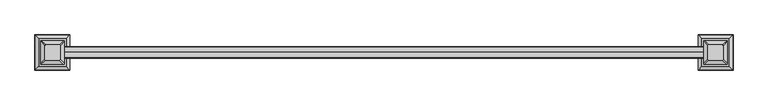
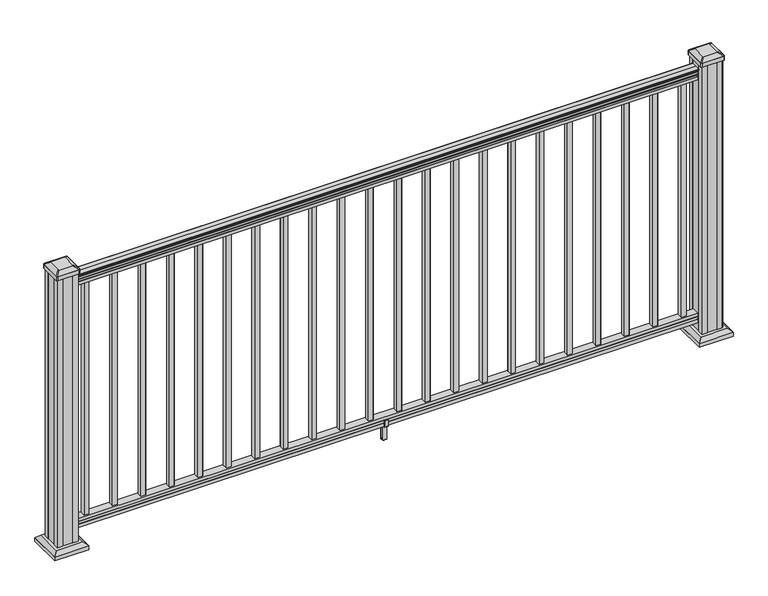
"""IFC4 building model written with IfcOpenShell, lengths in millimetres: railing geometry."""

from ifc_helpers import new_model, si_unit, point, frame, frame_2d, origin, origin_with_axes, place, context, project, spatial, polyline, circle_curve, trimmed, segment, composite_curve, outline, extrude, faceted_brep, source, transform, mapped, element, save
from ifc_brep_helpers import plane_surface, cylinder_surface, revolved_surface, extruded_surface, advanced_brep


def railing_27a5ea9a(model_context):
    return source(origin(), model_context, "Body", "SolidModel", [
        advanced_brep(
        [(21263.7625271, -7597.7092591, 1090.8043297), (21263.7625271, -7597.7092591, 1092.692412), (21263.7625271, -7596.5790728, 1094.2546695), (21263.7625271, -7596.5790728, 1101.4726458), (21263.7625271, -7597.2283292, 1103.9060812), (21263.7625271, -7594.7283292, 1108.2362083), (21263.7625271, -7593.3189868, 1109.9157972), (21263.7625271, -7592.9170878, 1111.0205318), (21263.7625271, -7592.9170879, 1112.3608158), (21263.7625271, -7594.4705351, 1113.914263), (21263.7625271, -7615.1420879, 1113.914263), (21263.7625271, -7635.8136406, 1113.914263), (21263.7625271, -7637.3670879, 1112.3608158), (21263.7625271, -7637.3670879, 1111.0205318), (21263.7625271, -7636.9651889, 1109.9157972), (21263.7625271, -7635.5558465, 1108.2362083), (21263.7625271, -7633.0558465, 1103.9060812), (21263.7625271, -7633.7051029, 1101.4726458), (21263.7625271, -7633.7051029, 1094.2546695), (21263.7625271, -7632.5749166, 1092.692412), (21263.7625271, -7632.5749166, 1090.8043297), (21263.7625271, -7630.0010879, 1090.8043297), (21263.7625271, -7630.0010879, 1080.3048283), (21263.7625271, -7631.0170879, 1079.2888283), (21263.7625271, -7631.0170879, 1066.8), (21263.7625271, -7599.2670879, 1066.8), (21263.7625271, -7599.2670879, 1079.131013), (21263.7625271, -7600.2830879, 1080.147013), (21263.7625271, -7600.2830879, 1090.8043297), (18825.3625271, -7597.7092591, 1090.8043297), (18825.3625271, -7600.2830879, 1090.8043297), (18825.3625271, -7600.2830879, 1080.147013), (18825.3625271, -7599.2670879, 1079.131013), (18825.3625271, -7599.2670879, 1066.8), (18825.3625271, -7631.0170879, 1066.8), (18825.3625271, -7631.0170879, 1079.2888283), (18825.3625271, -7630.0010879, 1080.3048283), (18825.3625271, -7630.0010879, 1090.8043297), (18825.3625271, -7632.5749166, 1090.8043297), (18825.3625271, -7632.5749166, 1092.692412), (18825.3625271, -7633.7051029, 1094.2546695), (18825.3625271, -7633.7051029, 1101.4726458), (18825.3625271, -7633.0558465, 1103.9060812), (18825.3625271, -7635.5558465, 1108.2362083), (18825.3625271, -7636.9651889, 1109.9157972), (18825.3625271, -7637.3670879, 1111.0205318), (18825.3625271, -7637.3670879, 1112.3608158), (18825.3625271, -7635.8136406, 1113.914263), (18825.3625271, -7615.1420879, 1113.914263), (18825.3625271, -7594.4705351, 1113.914263), (18825.3625271, -7592.9170879, 1112.3608158), (18825.3625271, -7592.9170879, 1111.0205318), (18825.3625271, -7593.3189868, 1109.9157972), (18825.3625271, -7594.7283292, 1108.2362083), (18825.3625271, -7597.2283292, 1103.9060812), (18825.3625271, -7596.5790728, 1101.4726458), (18825.3625271, -7596.5790728, 1094.2546695), (18825.3625271, -7597.7092591, 1092.692412)],
        [
            (0, 1),
            (1, 2, circle_curve(frame((21263.7625271, -7604.0240124, 1098.4506383), z_axis=(1.0, 0.0, 0.0), x_axis=(0.0, -1.0, 0.0)), 8.545951)),
            (2, 3, circle_curve(frame((21263.7625271, -7603.5869494, 1097.8636577), z_axis=(1.0, 0.0, 0.0), x_axis=(0.0, -1.0, 0.0)), 7.882584)),
            (3, 4, circle_curve(frame((21263.7625271, -7593.0736253, 1103.7112527), z_axis=(-1.0, 0.0, 0.0), x_axis=(0.0, -1.0, 0.0)), 4.1592695)),
            (4, 5, circle_curve(frame((21263.7625271, -7591.7863188, 1103.6508864), z_axis=(-1.0, 0.0, 0.0), x_axis=(0.0, -1.0, 0.0)), 5.4479907)),
            (5, 6, circle_curve(frame((21263.7625271, -7593.0194772, 1108.233395), z_axis=(-1.0, 0.0, 0.0), x_axis=(0.0, -1.0, 0.0)), 1.7088543)),
            (6, 7, circle_curve(frame((21263.7625271, -7594.6363773, 1111.0205318), z_axis=(1.0, 0.0, 0.0), x_axis=(0.0, -1.0, 0.0)), 1.7192895)),
            (7, 8),
            (8, 9, circle_curve(frame((21263.7625271, -7594.4705351, 1112.3608158), z_axis=(1.0, 0.0, 0.0), x_axis=(0.0, -1.0, 0.0)), 1.5534472)),
            (9, 10),
            (10, 11),
            (11, 12, circle_curve(frame((21263.7625271, -7635.8136406, 1112.3608158), z_axis=(1.0, 0.0, 0.0), x_axis=(0.0, 1.0, 0.0)), 1.5534472)),
            (12, 13),
            (13, 14, circle_curve(frame((21263.7625271, -7635.6477984, 1111.0205318), z_axis=(1.0, 0.0, 0.0), x_axis=(0.0, 1.0, 0.0)), 1.7192895)),
            (14, 15, circle_curve(frame((21263.7625271, -7637.2646985, 1108.233395), z_axis=(-1.0, 0.0, 0.0), x_axis=(0.0, 1.0, 0.0)), 1.7088543)),
            (15, 16, circle_curve(frame((21263.7625271, -7638.497857, 1103.6508864), z_axis=(-1.0, 0.0, 0.0), x_axis=(0.0, 1.0, 0.0)), 5.4479907)),
            (16, 17, circle_curve(frame((21263.7625271, -7637.2105504, 1103.7112527), z_axis=(-1.0, 0.0, 0.0), x_axis=(0.0, 1.0, 0.0)), 4.1592695)),
            (17, 18, circle_curve(frame((21263.7625271, -7626.6972263, 1097.8636577), z_axis=(1.0, 0.0, 0.0), x_axis=(0.0, 1.0, 0.0)), 7.882584)),
            (18, 19, circle_curve(frame((21263.7625271, -7626.2601633, 1098.4506383), z_axis=(1.0, 0.0, 0.0), x_axis=(0.0, 1.0, 0.0)), 8.545951)),
            (19, 20),
            (20, 21, circle_curve(frame((21263.7625271, -7631.2880022, 1090.8043297), z_axis=(1.0, 0.0, 0.0), x_axis=(0.0, 1.0, 0.0)), 1.2869144)),
            (21, 22),
            (22, 23),
            (23, 24),
            (24, 25),
            (25, 26),
            (26, 27),
            (27, 28),
            (28, 0, circle_curve(frame((21263.7625271, -7598.9961735, 1090.8043297), z_axis=(1.0, 0.0, 0.0), x_axis=(0.0, -1.0, 0.0)), 1.2869144)),
            (29, 30, circle_curve(frame((18825.3625271, -7598.9961735, 1090.8043297), z_axis=(-1.0, 0.0, 0.0), x_axis=(0.0, -1.0, 0.0)), 1.2869144)),
            (30, 31),
            (31, 32),
            (32, 33),
            (33, 34),
            (34, 35),
            (35, 36),
            (36, 37),
            (37, 38, circle_curve(frame((18825.3625271, -7631.2880022, 1090.8043297), z_axis=(-1.0, 0.0, 0.0), x_axis=(0.0, 1.0, 0.0)), 1.2869144)),
            (38, 39),
            (39, 40, circle_curve(frame((18825.3625271, -7626.2601633, 1098.4506383), z_axis=(-1.0, 0.0, 0.0), x_axis=(0.0, 1.0, 0.0)), 8.545951)),
            (40, 41, circle_curve(frame((18825.3625271, -7626.6972263, 1097.8636577), z_axis=(-1.0, 0.0, 0.0), x_axis=(0.0, 1.0, 0.0)), 7.882584)),
            (41, 42, circle_curve(frame((18825.3625271, -7637.2105504, 1103.7112527), z_axis=(1.0, 0.0, 0.0), x_axis=(0.0, 1.0, 0.0)), 4.1592695)),
            (42, 43, circle_curve(frame((18825.3625271, -7638.497857, 1103.6508864), z_axis=(1.0, 0.0, 0.0), x_axis=(0.0, 1.0, 0.0)), 5.4479907)),
            (43, 44, circle_curve(frame((18825.3625271, -7637.2646985, 1108.233395), z_axis=(1.0, 0.0, 0.0), x_axis=(0.0, 1.0, 0.0)), 1.7088543)),
            (44, 45, circle_curve(frame((18825.3625271, -7635.6477984, 1111.0205318), z_axis=(-1.0, 0.0, 0.0), x_axis=(0.0, 1.0, 0.0)), 1.7192895)),
            (45, 46),
            (46, 47, circle_curve(frame((18825.3625271, -7635.8136406, 1112.3608158), z_axis=(-1.0, 0.0, 0.0), x_axis=(0.0, 1.0, 0.0)), 1.5534472)),
            (47, 48),
            (48, 49),
            (49, 50, circle_curve(frame((18825.3625271, -7594.4705351, 1112.3608158), z_axis=(-1.0, 0.0, 0.0), x_axis=(0.0, -1.0, 0.0)), 1.5534472)),
            (50, 51),
            (51, 52, circle_curve(frame((18825.3625271, -7594.6363773, 1111.0205318), z_axis=(-1.0, 0.0, 0.0), x_axis=(0.0, -1.0, 0.0)), 1.7192895)),
            (52, 53, circle_curve(frame((18825.3625271, -7593.0194772, 1108.233395), z_axis=(1.0, 0.0, 0.0), x_axis=(0.0, -1.0, 0.0)), 1.7088543)),
            (53, 54, circle_curve(frame((18825.3625271, -7591.7863188, 1103.6508864), z_axis=(1.0, 0.0, 0.0), x_axis=(0.0, -1.0, 0.0)), 5.4479907)),
            (54, 55, circle_curve(frame((18825.3625271, -7593.0736253, 1103.7112527), z_axis=(1.0, 0.0, 0.0), x_axis=(0.0, -1.0, 0.0)), 4.1592695)),
            (55, 56, circle_curve(frame((18825.3625271, -7603.5869494, 1097.8636577), z_axis=(-1.0, 0.0, 0.0), x_axis=(0.0, -1.0, 0.0)), 7.882584)),
            (56, 57, circle_curve(frame((18825.3625271, -7604.0240124, 1098.4506383), z_axis=(-1.0, 0.0, 0.0), x_axis=(0.0, -1.0, 0.0)), 8.545951)),
            (57, 29),
            (28, 30),
            (29, 0),
            (27, 31),
            (26, 32),
            (25, 33),
            (24, 34),
            (23, 35),
            (22, 36),
            (21, 37),
            (20, 38),
            (19, 39),
            (18, 40),
            (17, 41),
            (16, 42),
            (15, 43),
            (14, 44),
            (13, 45),
            (12, 46),
            (11, 47),
            (10, 48),
            (9, 49),
            (8, 50),
            (7, 51),
            (6, 52),
            (5, 53),
            (4, 54),
            (3, 55),
            (2, 56),
            (1, 57),
        ],
        [
            plane_surface(frame((21263.7625271, -7615.1420879, 1066.8), z_axis=(1.0, 0.0, 0.0), x_axis=(0.0, -1.0, 0.0))),
            plane_surface(frame((18825.3625271, -7615.1420879, 1066.8), z_axis=(-1.0, 0.0, 0.0), x_axis=(0.0, -1.0, 0.0))),
            cylinder_surface(frame((21263.7625271, -7598.9961735, 1090.8043297), z_axis=(1.0, 0.0, 0.0), x_axis=(0.0, -1.0, 0.0)), 1.2869144),
            plane_surface(frame((21263.7625271, -7600.2830879, 1080.147013), z_axis=(0.0, 1.0, 0.0), x_axis=(-1.0, 0.0, 0.0))),
            plane_surface(frame((21263.7625271, -7599.2670879, 1079.131013), z_axis=(0.0, 0.7071067811865395, 0.7071067811865556), x_axis=(-1.0, 0.0, 0.0))),
            plane_surface(frame((21263.7625271, -7599.2670879, 1066.8), z_axis=(0.0, 1.0, 0.0), x_axis=(-1.0, 0.0, 0.0))),
            plane_surface(frame((21263.7625271, -7631.0170879, 1066.8), z_axis=(0.0, 0.0, -1.0), x_axis=(-1.0, 0.0, 0.0))),
            plane_surface(frame((21263.7625271, -7631.0170879, 1079.2888283), z_axis=(0.0, -1.0, 0.0), x_axis=(-1.0, 0.0, 0.0))),
            plane_surface(frame((21263.7625271, -7630.0010879, 1080.3048283), z_axis=(0.0, -0.7071067811865432, 0.707106781186552), x_axis=(-1.0, 0.0, 0.0))),
            plane_surface(frame((21263.7625271, -7630.0010879, 1090.8043297), z_axis=(0.0, -1.0, 0.0), x_axis=(-1.0, 0.0, 0.0))),
            cylinder_surface(frame((21263.7625271, -7631.2880022, 1090.8043297), z_axis=(1.0, 0.0, 0.0), x_axis=(0.0, 1.0, 0.0)), 1.2869144),
            plane_surface(frame((21263.7625271, -7632.5749166, 1092.692412), z_axis=(0.0, -1.0, 0.0), x_axis=(-1.0, 0.0, 0.0))),
            cylinder_surface(frame((21263.7625271, -7626.2601633, 1098.4506383), z_axis=(1.0, 0.0, 0.0), x_axis=(0.0, 1.0, 0.0)), 8.545951),
            cylinder_surface(frame((21263.7625271, -7626.6972263, 1097.8636577), z_axis=(1.0, 0.0, 0.0), x_axis=(0.0, 1.0, 0.0)), 7.882584),
            revolved_surface(polyline([(18825.3625271, -7633.0512809, 1103.7112527), (21263.7625271, -7633.0512809, 1103.7112527)]), (21263.7625271, -7637.2105504, 1103.7112527), (-1.0, 0.0, 0.0)),
            revolved_surface(polyline([(18825.3625271, -7633.0498663, 1103.6508864), (21263.7625271, -7633.0498663, 1103.6508864)]), (21263.7625271, -7638.497857, 1103.6508864), (-1.0, 0.0, 0.0)),
            revolved_surface(polyline([(18825.3625271, -7635.5558442, 1108.233395), (21263.7625271, -7635.5558442, 1108.233395)]), (21263.7625271, -7637.2646985, 1108.233395), (-1.0, 0.0, 0.0)),
            cylinder_surface(frame((21263.7625271, -7635.6477984, 1111.0205318), z_axis=(1.0, 0.0, 0.0), x_axis=(0.0, 1.0, 0.0)), 1.7192895),
            plane_surface(frame((21263.7625271, -7637.3670879, 1112.3608158), z_axis=(0.0, -1.0, 0.0), x_axis=(-1.0, 0.0, 0.0))),
            cylinder_surface(frame((21263.7625271, -7635.8136406, 1112.3608158), z_axis=(1.0, 0.0, 0.0), x_axis=(0.0, 1.0, 0.0)), 1.5534472),
            plane_surface(frame((21263.7625271, -7615.1420879, 1113.914263), z_axis=(0.0, 0.0, 1.0), x_axis=(-1.0, 0.0, 0.0))),
            plane_surface(frame((21263.7625271, -7594.4705351, 1113.914263), z_axis=(0.0, 0.0, 1.0), x_axis=(-1.0, 0.0, 0.0))),
            cylinder_surface(frame((21263.7625271, -7594.4705351, 1112.3608158), z_axis=(1.0, 0.0, 0.0), x_axis=(0.0, -1.0, 0.0)), 1.5534472),
            plane_surface(frame((21263.7625271, -7592.9170879, 1111.0205318), z_axis=(0.0, 1.0, 0.0), x_axis=(-1.0, 0.0, 0.0))),
            cylinder_surface(frame((21263.7625271, -7594.6363773, 1111.0205318), z_axis=(1.0, 0.0, 0.0), x_axis=(0.0, -1.0, 0.0)), 1.7192895),
            revolved_surface(polyline([(18825.3625271, -7594.7283315, 1108.233395), (21263.7625271, -7594.7283315, 1108.233395)]), (21263.7625271, -7593.0194772, 1108.233395), (-1.0, 0.0, 0.0)),
            revolved_surface(polyline([(18825.3625271, -7597.234309500001, 1103.6508864), (21263.7625271, -7597.234309500001, 1103.6508864)]), (21263.7625271, -7591.7863188, 1103.6508864), (-1.0, 0.0, 0.0)),
            revolved_surface(polyline([(18825.3625271, -7597.2328947999995, 1103.7112527), (21263.7625271, -7597.2328947999995, 1103.7112527)]), (21263.7625271, -7593.0736253, 1103.7112527), (-1.0, 0.0, 0.0)),
            cylinder_surface(frame((21263.7625271, -7603.5869494, 1097.8636577), z_axis=(1.0, 0.0, 0.0), x_axis=(0.0, -1.0, 0.0)), 7.882584),
            cylinder_surface(frame((21263.7625271, -7604.0240124, 1098.4506383), z_axis=(1.0, 0.0, 0.0), x_axis=(0.0, -1.0, 0.0)), 8.545951),
            plane_surface(frame((21263.7625271, -7597.7092591, 1090.8043297), z_axis=(0.0, 1.0, 0.0), x_axis=(-1.0, 0.0, 0.0))),
        ],
        [
            (0, [[1, 2, 3, 4, 5, 6, 7, 8, 9, 10, 11, 12, 13, 14, 15, 16, 17, 18, 19, 20, 21, 22, 23, 24, 25, 26, 27, 28, 29]]),
            (1, [[30, 31, 32, 33, 34, 35, 36, 37, 38, 39, 40, 41, 42, 43, 44, 45, 46, 47, 48, 49, 50, 51, 52, 53, 54, 55, 56, 57, 58]]),
            (2, [[-29, 59, -30, 60]]),
            (3, [[-28, 61, -31, -59]]),
            (4, [[-27, 62, -32, -61]]),
            (5, [[-26, 63, -33, -62]]),
            (6, [[-25, 64, -34, -63]]),
            (7, [[-24, 65, -35, -64]]),
            (8, [[-23, 66, -36, -65]]),
            (9, [[-22, 67, -37, -66]]),
            (10, [[-21, 68, -38, -67]]),
            (11, [[-20, 69, -39, -68]]),
            (12, [[-19, 70, -40, -69]]),
            (13, [[-18, 71, -41, -70]]),
            (14, [[-17, 72, -42, -71]]),
            (15, [[-16, 73, -43, -72]]),
            (16, [[-15, 74, -44, -73]]),
            (17, [[-14, 75, -45, -74]]),
            (18, [[-13, 76, -46, -75]]),
            (19, [[-12, 77, -47, -76]]),
            (20, [[-11, 78, -48, -77]]),
            (21, [[-10, 79, -49, -78]]),
            (22, [[-9, 80, -50, -79]]),
            (23, [[-8, 81, -51, -80]]),
            (24, [[-7, 82, -52, -81]]),
            (25, [[-6, 83, -53, -82]]),
            (26, [[-5, 84, -54, -83]]),
            (27, [[-4, 85, -55, -84]]),
            (28, [[-3, 86, -56, -85]]),
            (29, [[-2, 87, -57, -86]]),
            (30, [[-1, -60, -58, -87]]),
        ],
    ),
        faceted_brep([(21263.7625271, -7599.229601, 76.0541976), (21263.7625271, -7600.245601, 77.3546183), (21263.7625271, -7600.245601, 87.7141717), (21263.7625271, -7599.229601, 89.0624492), (21263.7625271, -7599.229601, 101.5958781), (21263.7625271, -7630.979601, 101.5958781), (21263.7625271, -7630.979601, 89.0458024), (21263.7625271, -7629.963601, 87.6975248), (21263.7625271, -7629.963601, 77.3858283), (21263.7625271, -7630.979601, 76.0375508), (21263.7625271, -7630.979601, 63.5), (21263.7625271, -7599.229601, 63.5), (18825.3625271, -7599.229601, 76.0541976), (18825.3625271, -7599.229601, 63.5), (18825.3625271, -7630.979601, 63.5), (18825.3625271, -7630.979601, 76.0375508), (18825.3625271, -7629.963601, 77.3858283), (18825.3625271, -7629.963601, 87.6975248), (18825.3625271, -7630.979601, 89.0458024), (18825.3625271, -7630.979601, 101.5958781), (18825.3625271, -7599.229601, 101.5958781), (18825.3625271, -7599.229601, 89.0624492), (18825.3625271, -7600.245601, 87.7141717), (18825.3625271, -7600.245601, 77.3546183)], [[[0, 1, 2, 3, 4, 5, 6, 7, 8, 9, 10, 11]], [[12, 13, 14, 15, 16, 17, 18, 19, 20, 21, 22, 23]], [[0, 11, 13, 12]], [[11, 10, 14, 13]], [[10, 9, 15, 14]], [[9, 8, 16, 15]], [[8, 7, 17, 16]], [[7, 6, 18, 17]], [[6, 5, 19, 18]], [[5, 4, 20, 19]], [[4, 3, 21, 20]], [[3, 2, 22, 21]], [[2, 1, 23, 22]], [[1, 0, 12, 23]]]),
        extrude(outline(polyline([(18884.6715271, -7605.6170879), (18884.6715271, -7624.6670879), (18865.6215271, -7624.6670879), (18865.6215271, -7605.6170879), (18884.6715271, -7605.6170879)]), holes=[polyline([(18884.2746521, -7606.0139629), (18866.0184021, -7606.0139629), (18866.0184021, -7624.2702129), (18884.2746521, -7624.2702129), (18884.2746521, -7606.0139629)])]), frame((0.0, 0.0, 101.5958781), z_axis=(0.0, 0.0, 1.0), x_axis=(1.0, 0.0, 0.0)), (0.0, 0.0, 1.0), 965.2041219),
        extrude(outline(polyline([(18995.9235271, -7605.6170879), (18995.9235271, -7624.6670879), (18976.8735271, -7624.6670879), (18976.8735271, -7605.6170879), (18995.9235271, -7605.6170879)]), holes=[polyline([(18995.5266521, -7606.0139629), (18977.2704021, -7606.0139629), (18977.2704021, -7624.2702129), (18995.5266521, -7624.2702129), (18995.5266521, -7606.0139629)])]), frame((0.0, 0.0, 101.5958781), z_axis=(0.0, 0.0, 1.0), x_axis=(1.0, 0.0, 0.0)), (0.0, 0.0, 1.0), 965.2041219),
        extrude(outline(polyline([(19107.1755271, -7605.6170879), (19107.1755271, -7624.6670879), (19088.1255271, -7624.6670879), (19088.1255271, -7605.6170879), (19107.1755271, -7605.6170879)]), holes=[polyline([(19106.7786521, -7606.0139629), (19088.5224021, -7606.0139629), (19088.5224021, -7624.2702129), (19106.7786521, -7624.2702129), (19106.7786521, -7606.0139629)])]), frame((0.0, 0.0, 101.5958781), z_axis=(0.0, 0.0, 1.0), x_axis=(1.0, 0.0, 0.0)), (0.0, 0.0, 1.0), 965.2041219),
        extrude(outline(polyline([(19218.4275271, -7605.6170879), (19218.4275271, -7624.6670879), (19199.3775271, -7624.6670879), (19199.3775271, -7605.6170879), (19218.4275271, -7605.6170879)]), holes=[polyline([(19218.0306521, -7606.0139629), (19199.7744021, -7606.0139629), (19199.7744021, -7624.2702129), (19218.0306521, -7624.2702129), (19218.0306521, -7606.0139629)])]), frame((0.0, 0.0, 101.5958781), z_axis=(0.0, 0.0, 1.0), x_axis=(1.0, 0.0, 0.0)), (0.0, 0.0, 1.0), 965.2041219),
        extrude(outline(polyline([(19329.6795271, -7605.6170879), (19329.6795271, -7624.6670879), (19310.6295271, -7624.6670879), (19310.6295271, -7605.6170879), (19329.6795271, -7605.6170879)]), holes=[polyline([(19329.2826521, -7606.0139629), (19311.0264021, -7606.0139629), (19311.0264021, -7624.2702129), (19329.2826521, -7624.2702129), (19329.2826521, -7606.0139629)])]), frame((0.0, 0.0, 101.5958781), z_axis=(0.0, 0.0, 1.0), x_axis=(1.0, 0.0, 0.0)), (0.0, 0.0, 1.0), 965.2041219),
        extrude(outline(polyline([(19440.9315271, -7605.6170879), (19440.9315271, -7624.6670879), (19421.8815271, -7624.6670879), (19421.8815271, -7605.6170879), (19440.9315271, -7605.6170879)]), holes=[polyline([(19440.5346521, -7606.0139629), (19422.2784021, -7606.0139629), (19422.2784021, -7624.2702129), (19440.5346521, -7624.2702129), (19440.5346521, -7606.0139629)])]), frame((0.0, 0.0, 101.5958781), z_axis=(0.0, 0.0, 1.0), x_axis=(1.0, 0.0, 0.0)), (0.0, 0.0, 1.0), 965.2041219),
        extrude(outline(polyline([(19552.1835271, -7605.6170879), (19552.1835271, -7624.6670879), (19533.1335271, -7624.6670879), (19533.1335271, -7605.6170879), (19552.1835271, -7605.6170879)]), holes=[polyline([(19551.7866521, -7606.0139629), (19533.5304021, -7606.0139629), (19533.5304021, -7624.2702129), (19551.7866521, -7624.2702129), (19551.7866521, -7606.0139629)])]), frame((0.0, 0.0, 101.5958781), z_axis=(0.0, 0.0, 1.0), x_axis=(1.0, 0.0, 0.0)), (0.0, 0.0, 1.0), 965.2041219),
        extrude(outline(polyline([(19663.4355271, -7605.6170879), (19663.4355271, -7624.6670879), (19644.3855271, -7624.6670879), (19644.3855271, -7605.6170879), (19663.4355271, -7605.6170879)]), holes=[polyline([(19663.0386521, -7606.0139629), (19644.7824021, -7606.0139629), (19644.7824021, -7624.2702129), (19663.0386521, -7624.2702129), (19663.0386521, -7606.0139629)])]), frame((0.0, 0.0, 101.5958781), z_axis=(0.0, 0.0, 1.0), x_axis=(1.0, 0.0, 0.0)), (0.0, 0.0, 1.0), 965.2041219),
        extrude(outline(polyline([(19774.6875271, -7605.6170879), (19774.6875271, -7624.6670879), (19755.6375271, -7624.6670879), (19755.6375271, -7605.6170879), (19774.6875271, -7605.6170879)]), holes=[polyline([(19774.2906521, -7606.0139629), (19756.0344021, -7606.0139629), (19756.0344021, -7624.2702129), (19774.2906521, -7624.2702129), (19774.2906521, -7606.0139629)])]), frame((0.0, 0.0, 101.5958781), z_axis=(0.0, 0.0, 1.0), x_axis=(1.0, 0.0, 0.0)), (0.0, 0.0, 1.0), 965.2041219),
        extrude(outline(polyline([(19885.9395271, -7605.6170879), (19885.9395271, -7624.6670879), (19866.8895271, -7624.6670879), (19866.8895271, -7605.6170879), (19885.9395271, -7605.6170879)]), holes=[polyline([(19885.5426521, -7606.0139629), (19867.2864021, -7606.0139629), (19867.2864021, -7624.2702129), (19885.5426521, -7624.2702129), (19885.5426521, -7606.0139629)])]), frame((0.0, 0.0, 101.5958781), z_axis=(0.0, 0.0, 1.0), x_axis=(1.0, 0.0, 0.0)), (0.0, 0.0, 1.0), 965.2041219),
        extrude(outline(polyline([(19997.1915271, -7605.6170879), (19997.1915271, -7624.6670879), (19978.1415271, -7624.6670879), (19978.1415271, -7605.6170879), (19997.1915271, -7605.6170879)]), holes=[polyline([(19996.7946521, -7606.0139629), (19978.5384021, -7606.0139629), (19978.5384021, -7624.2702129), (19996.7946521, -7624.2702129), (19996.7946521, -7606.0139629)])]), frame((0.0, 0.0, 101.5958781), z_axis=(0.0, 0.0, 1.0), x_axis=(1.0, 0.0, 0.0)), (0.0, 0.0, 1.0), 965.2041219),
        extrude(outline(polyline([(-7633.3030867, 88.7203979), (-7631.2710871, 88.7203979), (-7630.2550873, 87.7043953), (-7630.2550873, 77.2686081), (-7631.2710871, 76.2526073), (-7631.2710871, 64.262001), (-7630.509088, 63.5000019), (-7599.7750868, 63.5000019), (-7599.0130877, 64.262001), (-7599.0130877, 76.2526073), (-7600.0290875, 77.2686081), (-7600.0290875, 87.7043953), (-7599.0130877, 88.7203979), (-7596.9810881, 88.7203979), (-7596.2190871, 87.9583969), (-7596.2190871, 61.4680023), (-7596.9810881, 60.7060013), (-7607.0140871, 60.7060013), (-7607.7760872, 59.9440012), (-7607.7760872, 0.762001), (-7608.5380883, 0.0), (-7621.7460875, 0.0), (-7622.5080876, 0.7620001), (-7622.5080876, 59.9440012), (-7623.2700877, 60.7060013), (-7633.3030867, 60.7060013), (-7634.0650877, 61.4680023), (-7634.0650877, 87.9583969), (-7633.3030867, 88.7203979)]), holes=[polyline([(-7611.7130875, 60.7060013), (-7618.5710873, 60.7060013), (-7619.3330874, 59.9440012), (-7619.3330874, 3.9370003), (-7618.5710902, 3.1750031), (-7611.7130875, 3.1750031), (-7610.9510874, 3.9370031), (-7610.9510874, 59.9440012), (-7611.7130875, 60.7060013)])]), frame((20035.9265271, 0.0, 0.0), z_axis=(1.0, 0.0, 0.0), x_axis=(0.0, 1.0, 0.0)), (0.0, 0.0, 1.0), 14.732),
        extrude(outline(polyline([(20108.4435271, -7605.6170879), (20108.4435271, -7624.6670879), (20089.3935271, -7624.6670879), (20089.3935271, -7605.6170879), (20108.4435271, -7605.6170879)]), holes=[polyline([(20108.0466521, -7606.0139629), (20089.7904021, -7606.0139629), (20089.7904021, -7624.2702129), (20108.0466521, -7624.2702129), (20108.0466521, -7606.0139629)])]), frame((0.0, 0.0, 101.5958781), z_axis=(0.0, 0.0, 1.0), x_axis=(1.0, 0.0, 0.0)), (0.0, 0.0, 1.0), 965.2041219),
        extrude(outline(polyline([(20219.6955271, -7605.6170879), (20219.6955271, -7624.6670879), (20200.6455271, -7624.6670879), (20200.6455271, -7605.6170879), (20219.6955271, -7605.6170879)]), holes=[polyline([(20219.2986521, -7606.0139629), (20201.0424021, -7606.0139629), (20201.0424021, -7624.2702129), (20219.2986521, -7624.2702129), (20219.2986521, -7606.0139629)])]), frame((0.0, 0.0, 101.5958781), z_axis=(0.0, 0.0, 1.0), x_axis=(1.0, 0.0, 0.0)), (0.0, 0.0, 1.0), 965.2041219),
        extrude(outline(polyline([(20330.9475271, -7605.6170879), (20330.9475271, -7624.6670879), (20311.8975271, -7624.6670879), (20311.8975271, -7605.6170879), (20330.9475271, -7605.6170879)]), holes=[polyline([(20330.5506521, -7606.0139629), (20312.2944021, -7606.0139629), (20312.2944021, -7624.2702129), (20330.5506521, -7624.2702129), (20330.5506521, -7606.0139629)])]), frame((0.0, 0.0, 101.5958781), z_axis=(0.0, 0.0, 1.0), x_axis=(1.0, 0.0, 0.0)), (0.0, 0.0, 1.0), 965.2041219),
        extrude(outline(polyline([(20442.1995271, -7605.6170879), (20442.1995271, -7624.6670879), (20423.1495271, -7624.6670879), (20423.1495271, -7605.6170879), (20442.1995271, -7605.6170879)]), holes=[polyline([(20441.8026521, -7606.0139629), (20423.5464021, -7606.0139629), (20423.5464021, -7624.2702129), (20441.8026521, -7624.2702129), (20441.8026521, -7606.0139629)])]), frame((0.0, 0.0, 101.5958781), z_axis=(0.0, 0.0, 1.0), x_axis=(1.0, 0.0, 0.0)), (0.0, 0.0, 1.0), 965.2041219),
        extrude(outline(polyline([(20553.4515271, -7605.6170879), (20553.4515271, -7624.6670879), (20534.4015271, -7624.6670879), (20534.4015271, -7605.6170879), (20553.4515271, -7605.6170879)]), holes=[polyline([(20553.0546521, -7606.0139629), (20534.7984021, -7606.0139629), (20534.7984021, -7624.2702129), (20553.0546521, -7624.2702129), (20553.0546521, -7606.0139629)])]), frame((0.0, 0.0, 101.5958781), z_axis=(0.0, 0.0, 1.0), x_axis=(1.0, 0.0, 0.0)), (0.0, 0.0, 1.0), 965.2041219),
        extrude(outline(polyline([(20664.7035271, -7605.6170879), (20664.7035271, -7624.6670879), (20645.6535271, -7624.6670879), (20645.6535271, -7605.6170879), (20664.7035271, -7605.6170879)]), holes=[polyline([(20664.3066521, -7606.0139629), (20646.0504021, -7606.0139629), (20646.0504021, -7624.2702129), (20664.3066521, -7624.2702129), (20664.3066521, -7606.0139629)])]), frame((0.0, 0.0, 101.5958781), z_axis=(0.0, 0.0, 1.0), x_axis=(1.0, 0.0, 0.0)), (0.0, 0.0, 1.0), 965.2041219),
        extrude(outline(polyline([(20775.9555271, -7605.6170879), (20775.9555271, -7624.6670879), (20756.9055271, -7624.6670879), (20756.9055271, -7605.6170879), (20775.9555271, -7605.6170879)]), holes=[polyline([(20775.5586521, -7606.0139629), (20757.3024021, -7606.0139629), (20757.3024021, -7624.2702129), (20775.5586521, -7624.2702129), (20775.5586521, -7606.0139629)])]), frame((0.0, 0.0, 101.5958781), z_axis=(0.0, 0.0, 1.0), x_axis=(1.0, 0.0, 0.0)), (0.0, 0.0, 1.0), 965.2041219),
        extrude(outline(polyline([(20887.2075271, -7605.6170879), (20887.2075271, -7624.6670879), (20868.1575271, -7624.6670879), (20868.1575271, -7605.6170879), (20887.2075271, -7605.6170879)]), holes=[polyline([(20886.8106521, -7606.0139629), (20868.5544021, -7606.0139629), (20868.5544021, -7624.2702129), (20886.8106521, -7624.2702129), (20886.8106521, -7606.0139629)])]), frame((0.0, 0.0, 101.5958781), z_axis=(0.0, 0.0, 1.0), x_axis=(1.0, 0.0, 0.0)), (0.0, 0.0, 1.0), 965.2041219),
        extrude(outline(polyline([(20998.4595271, -7605.6170879), (20998.4595271, -7624.6670879), (20979.4095271, -7624.6670879), (20979.4095271, -7605.6170879), (20998.4595271, -7605.6170879)]), holes=[polyline([(20998.0626521, -7606.0139629), (20979.8064021, -7606.0139629), (20979.8064021, -7624.2702129), (20998.0626521, -7624.2702129), (20998.0626521, -7606.0139629)])]), frame((0.0, 0.0, 101.5958781), z_axis=(0.0, 0.0, 1.0), x_axis=(1.0, 0.0, 0.0)), (0.0, 0.0, 1.0), 965.2041219),
        extrude(outline(polyline([(21109.7115271, -7605.6170879), (21109.7115271, -7624.6670879), (21090.6615271, -7624.6670879), (21090.6615271, -7605.6170879), (21109.7115271, -7605.6170879)]), holes=[polyline([(21109.3146521, -7606.0139629), (21091.0584021, -7606.0139629), (21091.0584021, -7624.2702129), (21109.3146521, -7624.2702129), (21109.3146521, -7606.0139629)])]), frame((0.0, 0.0, 101.5958781), z_axis=(0.0, 0.0, 1.0), x_axis=(1.0, 0.0, 0.0)), (0.0, 0.0, 1.0), 965.2041219),
        extrude(outline(polyline([(21220.9635271, -7605.6170879), (21220.9635271, -7624.6670879), (21201.9135271, -7624.6670879), (21201.9135271, -7605.6170879), (21220.9635271, -7605.6170879)]), holes=[polyline([(21220.5666521, -7606.0139629), (21202.3104021, -7606.0139629), (21202.3104021, -7624.2702129), (21220.5666521, -7624.2702129), (21220.5666521, -7606.0139629)])]), frame((0.0, 0.0, 101.5958781), z_axis=(0.0, 0.0, 1.0), x_axis=(1.0, 0.0, 0.0)), (0.0, 0.0, 1.0), 965.2041219),
        faceted_brep([(18836.5464646, -7562.5561504, 28.575), (18731.3745896, -7562.5561504, 28.575), (18731.3745896, -7667.7280254, 28.575), (18836.5464646, -7667.7280254, 28.575), (18850.5859177, -7548.5166972, 15.24), (18850.5859177, -7681.7674785, 15.24), (18717.3351365, -7681.7674785, 15.24), (18717.3351365, -7548.5166972, 15.24)], [[[0, 1, 2, 3]], [[4, 5, 6, 7]], [[4, 0, 3, 5]], [[5, 3, 2, 6]], [[6, 2, 1, 7]], [[7, 1, 0, 4]]]),
        extrude(outline(polyline([(18850.5859177, -7548.5166972), (18850.5859177, -7681.7674785), (18717.3351365, -7681.7674785), (18717.3351365, -7548.5166972), (18850.5859177, -7548.5166972)])), origin_with_axes(), (0.0, 0.0, 1.0), 15.24),
        advanced_brep(
        [(18812.9324021, -7640.9389629, 1165.225), (18812.9324021, -7589.3452129, 1165.225), (18809.7574021, -7586.1702129, 1165.225), (18758.1636521, -7586.1702129, 1165.225), (18754.9886521, -7589.3452129, 1165.225), (18754.9886521, -7640.9389629, 1165.225), (18758.1636521, -7644.1139629, 1165.225), (18809.7574021, -7644.1139629, 1165.225), (18829.2042771, -7657.2108379, 1153.922), (18826.0292771, -7660.3858379, 1153.922), (18741.8917771, -7660.3858379, 1153.922), (18738.7167771, -7657.2108379, 1153.922), (18738.7167771, -7573.0733379, 1153.922), (18741.8917771, -7569.8983379, 1153.922), (18826.0292771, -7569.8983379, 1153.922), (18829.2042771, -7573.0733379, 1153.922)],
        [
            (0, 1),
            (1, 2, circle_curve(frame((18809.7574021, -7589.3452129, 1165.225), z_axis=(0.0, 0.0, 1.0), x_axis=(-1.0, 0.0, 0.0)), 3.175)),
            (2, 3),
            (3, 4, circle_curve(frame((18758.1636521, -7589.3452129, 1165.225), z_axis=(0.0, 0.0, 1.0), x_axis=(-1.0, 0.0, 0.0)), 3.175)),
            (4, 5),
            (5, 6, circle_curve(frame((18758.1636521, -7640.9389629, 1165.225), z_axis=(0.0, 0.0, 1.0), x_axis=(-1.0, 0.0, 0.0)), 3.175)),
            (6, 7),
            (7, 0, circle_curve(frame((18809.7574021, -7640.9389629, 1165.225), z_axis=(0.0, 0.0, 1.0), x_axis=(-1.0, 0.0, 0.0)), 3.175)),
            (8, 9, circle_curve(frame((18826.0292771, -7657.2108379, 1153.922), z_axis=(0.0, 0.0, -1.0), x_axis=(-1.0, 0.0, 0.0)), 3.175)),
            (9, 10),
            (10, 11, circle_curve(frame((18741.8917771, -7657.2108379, 1153.922), z_axis=(0.0, 0.0, -1.0), x_axis=(-1.0, 0.0, 0.0)), 3.175)),
            (11, 12),
            (12, 13, circle_curve(frame((18741.8917771, -7573.0733379, 1153.922), z_axis=(0.0, 0.0, -1.0), x_axis=(-1.0, 0.0, 0.0)), 3.175)),
            (13, 14),
            (14, 15, circle_curve(frame((18826.0292771, -7573.0733379, 1153.922), z_axis=(0.0, 0.0, -1.0), x_axis=(-1.0, 0.0, 0.0)), 3.175)),
            (15, 8),
            (8, 0),
            (7, 9),
            (6, 10),
            (5, 11),
            (4, 12),
            (3, 13),
            (2, 14),
            (1, 15),
        ],
        [
            plane_surface(frame((18783.9605271, -7615.1420879, 1165.225), z_axis=(0.0, 0.0, 1.0), x_axis=(0.0, -1.0, 0.0))),
            plane_surface(frame((18783.9605271, -7615.1420879, 1153.922), z_axis=(0.0, 0.0, -1.0), x_axis=(0.0, -1.0, 0.0))),
            extruded_surface(trimmed(circle_curve(frame((18809.7574021, -7640.9389629, 1165.225), z_axis=(0.0, 0.0, -1.0), x_axis=(-1.0, 0.0, 0.0)), 3.175), [point((18812.9324021, -7640.9389629, 1165.225))], [point((18809.7574021, -7644.1139629, 1165.225))], True, "CARTESIAN"), (16.271874999998545, -16.271875000000364, -11.302999999999884), 25.63797263886542),
            plane_surface(frame((18783.9605271, -7660.3858379, 1153.922), z_axis=(0.0, -0.5705009161540777, 0.8212969649690409), x_axis=(-1.0, 0.0, 0.0))),
            extruded_surface(trimmed(circle_curve(frame((18758.1636521, -7640.9389629, 1165.225), z_axis=(0.0, 0.0, -1.0), x_axis=(-1.0, 0.0, 0.0)), 3.175), [point((18758.1636521, -7644.1139629, 1165.225))], [point((18754.9886521, -7640.9389629, 1165.225))], True, "CARTESIAN"), (-16.271874999998545, -16.271875000000364, -11.302999999999884), 25.63797263886542),
            plane_surface(frame((18738.7167771, -7615.1420879, 1153.922), z_axis=(-0.5705009161540291, 0.0, 0.8212969649690747), x_axis=(0.0, 1.0, 0.0))),
            extruded_surface(trimmed(circle_curve(frame((18758.1636521, -7589.3452129, 1165.225), z_axis=(0.0, 0.0, -1.0), x_axis=(-1.0, 0.0, 0.0)), 3.175), [point((18754.9886521, -7589.3452129, 1165.225))], [point((18758.1636521, -7586.1702129, 1165.225))], True, "CARTESIAN"), (-16.271874999998545, 16.271874999999454, -11.302999999999884), 25.63797263886484),
            plane_surface(frame((18783.9605271, -7569.8983379, 1153.922), z_axis=(0.0, 0.5705009161540143, 0.821296964969085), x_axis=(1.0, 0.0, 0.0))),
            extruded_surface(trimmed(circle_curve(frame((18809.7574021, -7589.3452129, 1165.225), z_axis=(0.0, 0.0, -1.0), x_axis=(-1.0, 0.0, 0.0)), 3.175), [point((18809.7574021, -7586.1702129, 1165.225))], [point((18812.9324021, -7589.3452129, 1165.225))], True, "CARTESIAN"), (16.271874999998545, 16.271874999999454, -11.302999999999884), 25.63797263886484),
            plane_surface(frame((18829.2042771, -7615.1420879, 1153.922), z_axis=(0.570500916154034, 0.0, 0.8212969649690713), x_axis=(0.0, -1.0, 0.0))),
        ],
        [
            (0, [[1, 2, 3, 4, 5, 6, 7, 8]]),
            (1, [[9, 10, 11, 12, 13, 14, 15, 16]]),
            (2, [[17, -8, 18, -9]]),
            (3, [[-18, -7, 19, -10]]),
            (4, [[-19, -6, 20, -11]]),
            (5, [[-20, -5, 21, -12]]),
            (6, [[-21, -4, 22, -13]]),
            (7, [[-22, -3, 23, -14]]),
            (8, [[-23, -2, 24, -15]]),
            (9, [[-24, -1, -17, -16]]),
        ],
    ),
        extrude(outline(composite_curve([segment(trimmed(circle_curve(frame_2d((18826.0292771, -7657.2108379)), 3.175), [point((18829.2042771, -7657.2108379))], [point((18826.0292771, -7660.3858379))], False, "CARTESIAN"), True, "CONTINUOUS"), segment(polyline([(18826.0292771, -7660.3858379), (18741.8917771, -7660.3858379)]), True, "CONTINUOUS"), segment(trimmed(circle_curve(frame_2d((18741.8917771, -7657.2108379)), 3.175), [point((18741.8917771, -7660.3858379))], [point((18738.7167771, -7657.2108379))], False, "CARTESIAN"), True, "CONTINUOUS"), segment(polyline([(18738.7167771, -7657.2108379), (18738.7167771, -7573.0733379)]), True, "CONTINUOUS"), segment(trimmed(circle_curve(frame_2d((18741.8917771, -7573.0733379)), 3.175), [point((18738.7167771, -7573.0733379))], [point((18741.8917771, -7569.8983379))], False, "CARTESIAN"), True, "CONTINUOUS"), segment(polyline([(18741.8917771, -7569.8983379), (18826.0292771, -7569.8983379)]), True, "CONTINUOUS"), segment(trimmed(circle_curve(frame_2d((18826.0292771, -7573.0733379)), 3.175), [point((18826.0292771, -7569.8983379))], [point((18829.2042771, -7573.0733379))], False, "CARTESIAN"), True, "CONTINUOUS"), segment(polyline([(18829.2042771, -7573.0733379), (18829.2042771, -7657.2108379)]), True, "CONTINUOUS")], self_intersect=False)), frame((0.0, 0.0, 1136.65), z_axis=(0.0, 0.0, 1.0), x_axis=(1.0, 0.0, 0.0)), (0.0, 0.0, 1.0), 17.272),
        extrude(outline(polyline([(18825.2355271, -7654.8295879), (18823.6480271, -7656.4170879), (18804.0265271, -7656.4170879), (18803.2645271, -7654.8295879), (18764.6565271, -7654.8295879), (18763.8945271, -7656.4170879), (18744.2730271, -7656.4170879), (18742.6855271, -7654.8295879), (18742.6855271, -7635.2080879), (18744.2730271, -7634.4460879), (18744.2730271, -7595.8380879), (18742.6855271, -7595.0760879), (18742.6855271, -7575.4545879), (18744.2730271, -7573.8670879), (18763.8945271, -7573.8670879), (18764.6565271, -7575.4545879), (18803.2645271, -7575.4545879), (18804.0265271, -7573.8670879), (18823.6480271, -7573.8670879), (18825.2355271, -7575.4545879), (18825.2355271, -7595.0760879), (18823.6480271, -7595.8380879), (18823.6480271, -7634.4460879), (18825.2355271, -7635.2080879), (18825.2355271, -7654.8295879)])), origin_with_axes(), (0.0, 0.0, 1.0), 1136.65),
        faceted_brep([(21357.7504646, -7562.5561504, 28.575), (21252.5785896, -7562.5561504, 28.575), (21252.5785896, -7667.7280254, 28.575), (21357.7504646, -7667.7280254, 28.575), (21371.7899177, -7548.5166972, 15.24), (21371.7899177, -7681.7674785, 15.24), (21238.5391365, -7681.7674785, 15.24), (21238.5391365, -7548.5166972, 15.24)], [[[0, 1, 2, 3]], [[4, 5, 6, 7]], [[4, 0, 3, 5]], [[5, 3, 2, 6]], [[6, 2, 1, 7]], [[7, 1, 0, 4]]]),
        extrude(outline(polyline([(21371.7899177, -7548.5166972), (21371.7899177, -7681.7674785), (21238.5391365, -7681.7674785), (21238.5391365, -7548.5166972), (21371.7899177, -7548.5166972)])), origin_with_axes(), (0.0, 0.0, 1.0), 15.24),
        advanced_brep(
        [(21334.1364021, -7640.9389629, 1165.225), (21334.1364021, -7589.3452129, 1165.225), (21330.9614021, -7586.1702129, 1165.225), (21279.3676521, -7586.1702129, 1165.225), (21276.1926521, -7589.3452129, 1165.225), (21276.1926521, -7640.9389629, 1165.225), (21279.3676521, -7644.1139629, 1165.225), (21330.9614021, -7644.1139629, 1165.225), (21350.4082771, -7657.2108379, 1153.922), (21347.2332771, -7660.3858379, 1153.922), (21263.0957771, -7660.3858379, 1153.922), (21259.9207771, -7657.2108379, 1153.922), (21259.9207771, -7573.0733379, 1153.922), (21263.0957771, -7569.8983379, 1153.922), (21347.2332771, -7569.8983379, 1153.922), (21350.4082771, -7573.0733379, 1153.922)],
        [
            (0, 1),
            (1, 2, circle_curve(frame((21330.9614021, -7589.3452129, 1165.225), z_axis=(0.0, 0.0, 1.0), x_axis=(-1.0, 0.0, 0.0)), 3.175)),
            (2, 3),
            (3, 4, circle_curve(frame((21279.3676521, -7589.3452129, 1165.225), z_axis=(0.0, 0.0, 1.0), x_axis=(-1.0, 0.0, 0.0)), 3.175)),
            (4, 5),
            (5, 6, circle_curve(frame((21279.3676521, -7640.9389629, 1165.225), z_axis=(0.0, 0.0, 1.0), x_axis=(-1.0, 0.0, 0.0)), 3.175)),
            (6, 7),
            (7, 0, circle_curve(frame((21330.9614021, -7640.9389629, 1165.225), z_axis=(0.0, 0.0, 1.0), x_axis=(-1.0, 0.0, 0.0)), 3.175)),
            (8, 9, circle_curve(frame((21347.2332771, -7657.2108379, 1153.922), z_axis=(0.0, 0.0, -1.0), x_axis=(-1.0, 0.0, 0.0)), 3.175)),
            (9, 10),
            (10, 11, circle_curve(frame((21263.0957771, -7657.2108379, 1153.922), z_axis=(0.0, 0.0, -1.0), x_axis=(-1.0, 0.0, 0.0)), 3.175)),
            (11, 12),
            (12, 13, circle_curve(frame((21263.0957771, -7573.0733379, 1153.922), z_axis=(0.0, 0.0, -1.0), x_axis=(-1.0, 0.0, 0.0)), 3.175)),
            (13, 14),
            (14, 15, circle_curve(frame((21347.2332771, -7573.0733379, 1153.922), z_axis=(0.0, 0.0, -1.0), x_axis=(-1.0, 0.0, 0.0)), 3.175)),
            (15, 8),
            (8, 0),
            (7, 9),
            (6, 10),
            (5, 11),
            (4, 12),
            (3, 13),
            (2, 14),
            (1, 15),
        ],
        [
            plane_surface(frame((21305.1645271, -7615.1420879, 1165.225), z_axis=(0.0, 0.0, 1.0), x_axis=(0.0, -1.0, 0.0))),
            plane_surface(frame((21305.1645271, -7615.1420879, 1153.922), z_axis=(0.0, 0.0, -1.0), x_axis=(0.0, -1.0, 0.0))),
            extruded_surface(trimmed(circle_curve(frame((21330.9614021, -7640.9389629, 1165.225), z_axis=(0.0, 0.0, -1.0), x_axis=(-1.0, 0.0, 0.0)), 3.175), [point((21334.1364021, -7640.9389629, 1165.225))], [point((21330.9614021, -7644.1139629, 1165.225))], True, "CARTESIAN"), (16.271874999998545, -16.271875000000364, -11.302999999999884), 25.63797263886542),
            plane_surface(frame((21305.1645271, -7660.3858379, 1153.922), z_axis=(0.0, -0.5705009161540777, 0.8212969649690409), x_axis=(-1.0, 0.0, 0.0))),
            extruded_surface(trimmed(circle_curve(frame((21279.3676521, -7640.9389629, 1165.225), z_axis=(0.0, 0.0, -1.0), x_axis=(-1.0, 0.0, 0.0)), 3.175), [point((21279.3676521, -7644.1139629, 1165.225))], [point((21276.1926521, -7640.9389629, 1165.225))], True, "CARTESIAN"), (-16.271875000002183, -16.271875000000364, -11.302999999999884), 25.637972638867726),
            plane_surface(frame((21259.9207771, -7615.1420879, 1153.922), z_axis=(-0.5705009161540291, 0.0, 0.8212969649690747), x_axis=(0.0, 1.0, 0.0))),
            extruded_surface(trimmed(circle_curve(frame((21279.3676521, -7589.3452129, 1165.225), z_axis=(0.0, 0.0, -1.0), x_axis=(-1.0, 0.0, 0.0)), 3.175), [point((21276.1926521, -7589.3452129, 1165.225))], [point((21279.3676521, -7586.1702129, 1165.225))], True, "CARTESIAN"), (-16.271875000002183, 16.271874999999454, -11.302999999999884), 25.63797263886715),
            plane_surface(frame((21305.1645271, -7569.8983379, 1153.922), z_axis=(0.0, 0.5705009161540143, 0.821296964969085), x_axis=(1.0, 0.0, 0.0))),
            extruded_surface(trimmed(circle_curve(frame((21330.9614021, -7589.3452129, 1165.225), z_axis=(0.0, 0.0, -1.0), x_axis=(-1.0, 0.0, 0.0)), 3.175), [point((21330.9614021, -7586.1702129, 1165.225))], [point((21334.1364021, -7589.3452129, 1165.225))], True, "CARTESIAN"), (16.271874999998545, 16.271874999999454, -11.302999999999884), 25.63797263886484),
            plane_surface(frame((21350.4082771, -7615.1420879, 1153.922), z_axis=(0.570500916154034, 0.0, 0.8212969649690713), x_axis=(0.0, -1.0, 0.0))),
        ],
        [
            (0, [[1, 2, 3, 4, 5, 6, 7, 8]]),
            (1, [[9, 10, 11, 12, 13, 14, 15, 16]]),
            (2, [[17, -8, 18, -9]]),
            (3, [[-18, -7, 19, -10]]),
            (4, [[-19, -6, 20, -11]]),
            (5, [[-20, -5, 21, -12]]),
            (6, [[-21, -4, 22, -13]]),
            (7, [[-22, -3, 23, -14]]),
            (8, [[-23, -2, 24, -15]]),
            (9, [[-24, -1, -17, -16]]),
        ],
    ),
        extrude(outline(composite_curve([segment(trimmed(circle_curve(frame_2d((21347.2332771, -7657.2108379)), 3.175), [point((21350.4082771, -7657.2108379))], [point((21347.2332771, -7660.3858379))], False, "CARTESIAN"), True, "CONTINUOUS"), segment(polyline([(21347.2332771, -7660.3858379), (21263.0957771, -7660.3858379)]), True, "CONTINUOUS"), segment(trimmed(circle_curve(frame_2d((21263.0957771, -7657.2108379)), 3.175), [point((21263.0957771, -7660.3858379))], [point((21259.9207771, -7657.2108379))], False, "CARTESIAN"), True, "CONTINUOUS"), segment(polyline([(21259.9207771, -7657.2108379), (21259.9207771, -7573.0733379)]), True, "CONTINUOUS"), segment(trimmed(circle_curve(frame_2d((21263.0957771, -7573.0733379)), 3.175), [point((21259.9207771, -7573.0733379))], [point((21263.0957771, -7569.8983379))], False, "CARTESIAN"), True, "CONTINUOUS"), segment(polyline([(21263.0957771, -7569.8983379), (21347.2332771, -7569.8983379)]), True, "CONTINUOUS"), segment(trimmed(circle_curve(frame_2d((21347.2332771, -7573.0733379)), 3.175), [point((21347.2332771, -7569.8983379))], [point((21350.4082771, -7573.0733379))], False, "CARTESIAN"), True, "CONTINUOUS"), segment(polyline([(21350.4082771, -7573.0733379), (21350.4082771, -7657.2108379)]), True, "CONTINUOUS")], self_intersect=False)), frame((0.0, 0.0, 1136.65), z_axis=(0.0, 0.0, 1.0), x_axis=(1.0, 0.0, 0.0)), (0.0, 0.0, 1.0), 17.272),
        extrude(outline(polyline([(21346.4395271, -7654.8295879), (21344.8520271, -7656.4170879), (21325.2305271, -7656.4170879), (21324.4685271, -7654.8295879), (21285.8605271, -7654.8295879), (21285.0985271, -7656.4170879), (21265.4770271, -7656.4170879), (21263.8895271, -7654.8295879), (21263.8895271, -7635.2080879), (21265.4770271, -7634.4460879), (21265.4770271, -7595.8380879), (21263.8895271, -7595.0760879), (21263.8895271, -7575.4545879), (21265.4770271, -7573.8670879), (21285.0985271, -7573.8670879), (21285.8605271, -7575.4545879), (21324.4685271, -7575.4545879), (21325.2305271, -7573.8670879), (21344.8520271, -7573.8670879), (21346.4395271, -7575.4545879), (21346.4395271, -7595.0760879), (21344.8520271, -7595.8380879), (21344.8520271, -7634.4460879), (21346.4395271, -7635.2080879), (21346.4395271, -7654.8295879)])), origin_with_axes(), (0.0, 0.0, 1.0), 1136.65),
    ])


if __name__ == "__main__":
    model = new_model("IFC4")
    model_context = context("Model", 3, world=origin())
    ifc_project = project(units=[si_unit("LENGTHUNIT", "METRE", prefix="MILLI")], contexts=[model_context])
    site = spatial("IfcSite", under=ifc_project)
    building = spatial("IfcBuilding", under=site)
    placement = place(None, origin())
    railing_shape = railing_27a5ea9a(model_context)
    element("IfcRailing", 1, at=placement, inside=building, context=model_context, shape_type="MappedRepresentation", body=[
        mapped(railing_shape, transform((0.0, 0.0, 0.0), x_axis=(1.0, 0.0, 0.0), y_axis=(0.0, 1.0, 0.0), z_axis=(0.0, 0.0, 1.0))),
    ])
    save(model, "model.ifc")
